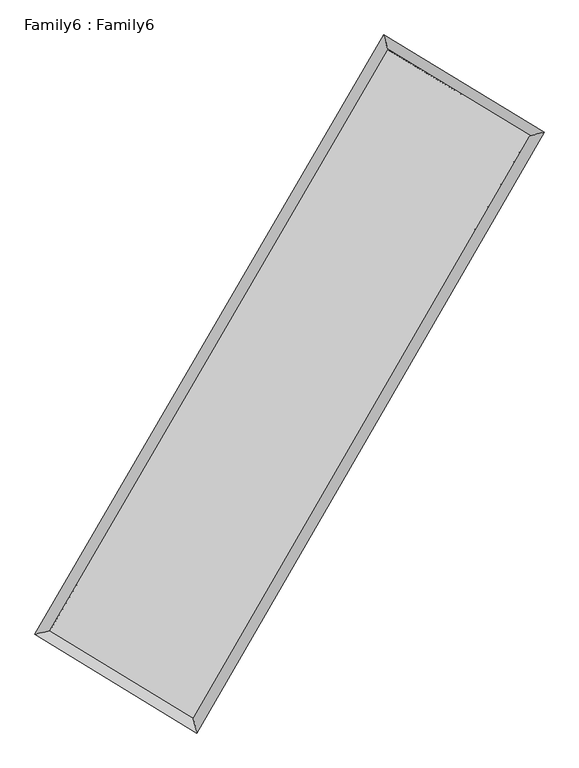
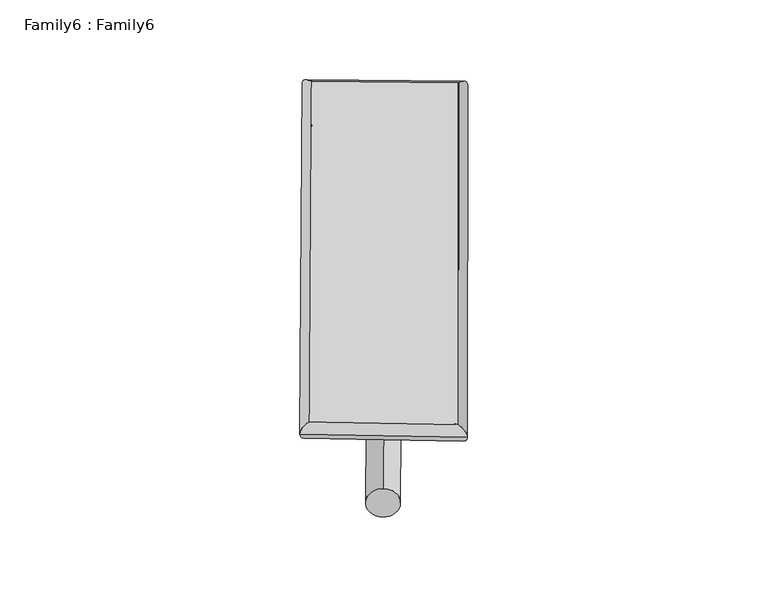
"""IFC4 building model written with IfcOpenShell, lengths in millimetres: plate geometry, Family6 : Family6."""

from ifc_helpers import new_model, si_unit, point, frame, origin, origin_2d, place, context, project, spatial, circle_curve, ellipse_curve, trimmed, segment, composite_curve, outline, extrude, source, transform, mapped, element, save
from ifc_brep_helpers import plane_surface, cylinder_surface, spline_surface, advanced_brep


def family6_family6_36cc46a7(model_context):
    return source(origin(), model_context, "Body", "SolidModel", [
        extrude(outline(composite_curve([segment(trimmed(circle_curve(origin_2d(), 76.2), [point((-75.4341514, -10.7763073))], [point((75.4341514, 10.7763073))], False, "CARTESIAN"), True, "CONTINUOUS"), segment(trimmed(circle_curve(origin_2d(), 76.2), [point((75.4341514, 10.7763073))], [point((-75.4341514, -10.7763073))], False, "CARTESIAN"), True, "CONTINUOUS")], self_intersect=False)), frame((9144.0, 9144.0, 0.0), z_axis=(0.6695239012673339, 0.6897060139236257, 0.27575960543443107), x_axis=(-0.6818251170184612, 0.7179459264539025, -0.1402432047944196)), (0.0, 0.0, 1.0), 5551.2953473),
        extrude(outline(composite_curve([segment(trimmed(circle_curve(origin_2d(), 76.2), [point((-53.8815367, 53.8815368))], [point((53.8815367, -53.8815368))], False, "CARTESIAN"), True, "CONTINUOUS"), segment(trimmed(circle_curve(origin_2d(), 76.2), [point((53.8815367, -53.8815368))], [point((-53.8815367, 53.8815368))], False, "CARTESIAN"), True, "CONTINUOUS")], self_intersect=False)), frame((9144.0, 9144.0, 0.0), z_axis=(-0.6717070156431373, -0.6876435241630366, 0.27560128594117533), x_axis=(0.6433193338153723, -0.35695867147852994, 0.677289259914572)), (0.0, 0.0, 1.0), 5554.5825007),
        extrude(outline(composite_curve([segment(trimmed(circle_curve(origin_2d(), 76.2), [point((-53.8815367, -53.8815367))], [point((53.8815367, 53.8815367))], False, "CARTESIAN"), True, "CONTINUOUS"), segment(trimmed(circle_curve(origin_2d(), 76.2), [point((53.8815367, 53.8815367))], [point((-53.8815367, -53.8815367))], False, "CARTESIAN"), True, "CONTINUOUS")], self_intersect=False)), frame((9144.0, 9144.0, 0.0), z_axis=(0.2689010546837212, 0.9243985190297741, 0.27051728374642353), x_axis=(-0.8405869874453986, 0.3623491468506554, -0.4026370727020447)), (0.0, 0.0, 1.0), 5597.4585482),
        extrude(outline(composite_curve([segment(trimmed(circle_curve(origin_2d(), 76.2), [point((-75.4341514, 10.7763074))], [point((75.4341514, -10.7763074))], False, "CARTESIAN"), True, "CONTINUOUS"), segment(trimmed(circle_curve(origin_2d(), 76.2), [point((75.4341514, -10.7763074))], [point((-75.4341514, 10.7763074))], False, "CARTESIAN"), True, "CONTINUOUS")], self_intersect=False)), frame((9144.0, 9144.0, 0.0), z_axis=(-0.26622304787580753, -0.9252366779272323, 0.2703005338468547), x_axis=(0.8813483345550648, -0.12010133036903804, 0.4569472438045785)), (0.0, 0.0, 1.0), 5602.7185647),
        advanced_brep(
        [(5206.0919936, 5272.0089847, 1529.5544264), (5206.0831226, 5271.9969638, 1532.4533306), (5619.803937, 5376.8456432, 1532.1457337), (10702.6852771, 14107.3317201, 1515.9922321), (10595.6397372, 14529.2330645, 1512.4263326), (5619.812808, 5376.8576641, 1529.2468295), (12654.2230873, 12920.0107906, 1530.6526037), (13067.2267488, 13025.5127816, 1530.9934256), (7598.5142051, 4171.4528437, 1514.7280353), (7706.3401695, 3748.8657319, 1514.1076027)],
        [
            (0, 1, ellipse_curve(frame((5412.9479653, 5324.4273139, 1530.8500801), z_axis=(-0.245658783501898, 0.9693508566001295, 0.0032678581613413906), x_axis=(-0.9693362263449717, -0.24567401424319357, 0.005617741621412493)), 213.4121185, 152.4)),
            (1, 2, ellipse_curve(frame((5412.9479653, 5324.4273139, 1530.8500801), z_axis=(-0.245658783501898, 0.9693508566001295, 0.0032678581613413906), x_axis=(-0.9693362263449717, -0.24567401424319357, 0.005617741621412493)), 213.4121185, 152.4)),
            (2, 3),
            (3, 4, ellipse_curve(frame((10649.1625072, 14318.2823923, 1514.2092823), z_axis=(-0.9692750817472386, -0.24595523394832905, -0.0034407553394950295), x_axis=(0.24593408828720356, -0.9692702932324095, 0.005614523621876618)), 217.6427786, 152.4)),
            (4, 0),
            (2, 5, ellipse_curve(frame((5412.9479653, 5324.4273139, 1530.8500801), z_axis=(-0.245658783501898, 0.9693508566001295, 0.0032678581613413906), x_axis=(-0.9693362263449717, -0.24567401424319357, 0.005617741621412493)), 213.4121185, 152.4)),
            (5, 0, ellipse_curve(frame((5412.9479653, 5324.4273139, 1530.8500801), z_axis=(-0.245658783501898, 0.9693508566001295, 0.0032678581613413906), x_axis=(-0.9693362263449717, -0.24567401424319357, 0.005617741621412493)), 213.4121185, 152.4)),
            (4, 3, ellipse_curve(frame((10649.1625072, 14318.2823923, 1514.2092823), z_axis=(-0.9692750817472386, -0.24595523394832905, -0.0034407553394950295), x_axis=(0.24593408828720356, -0.9692702932324095, 0.005614523621876618)), 217.6427786, 152.4)),
            (3, 6),
            (6, 7, ellipse_curve(frame((12860.724918, 12972.7617861, 1530.8230146), z_axis=(-0.24749867637680775, 0.9688823164608142, -0.0033855636538907483), x_axis=(-0.9688672434759712, -0.24751480365512432, -0.005717210057250694)), 213.1355268, 152.4)),
            (7, 4),
            (7, 6, ellipse_curve(frame((12860.724918, 12972.7617861, 1530.8230146), z_axis=(-0.24749867637680775, 0.9688823164608142, -0.0033855636538907483), x_axis=(-0.9688672434759712, -0.24751480365512432, -0.005717210057250694)), 213.1355268, 152.4)),
            (6, 8),
            (8, 9, ellipse_curve(frame((7652.4271873, 3960.1592878, 1514.417819), z_axis=(0.9689487759713116, 0.24723877093500077, -0.003355546192149799), x_axis=(-0.24721862272816628, 0.9689442182905903, 0.005482190951194921)), 218.0653422, 152.4)),
            (9, 7),
            (9, 8, ellipse_curve(frame((7652.4271873, 3960.1592878, 1514.417819), z_axis=(0.9689487759713116, 0.24723877093500077, -0.003355546192149799), x_axis=(-0.24721862272816628, 0.9689442182905903, 0.005482190951194921)), 218.0653422, 152.4)),
            (8, 5),
            (1, 9),
        ],
        [
            cylinder_surface(frame((5412.9479653, 5324.4273139, 1530.8500801), z_axis=(-0.5031388681054499, -0.8642040977953779, 0.0015989856922419372), x_axis=(-0.864169494055096, 0.5031000919202516, -0.010068915254086899)), 152.4),
            cylinder_surface(frame((10649.1625072, 14318.2823923, 1514.2092823), z_axis=(-0.8542920873804053, 0.5197536373302327, -0.006417625824478167), x_axis=(0.5197857012077602, 0.8542811242555554, -0.005156118755554476)), 152.4),
            cylinder_surface(frame((12860.724918, 12972.7617861, 1530.8230146), z_axis=(0.5003501721075078, 0.8658217030408274, 0.0015760125218193548), x_axis=(0.8658230342588451, -0.5003501721075078, -0.00042263316760156235)), 152.4),
            cylinder_surface(frame((7652.4271873, 3960.1592878, 1514.417819), z_axis=(0.8539942822816718, -0.5202446543571632, -0.0062662144081153184), x_axis=(-0.5202264583022485, -0.8540171372702072, 0.00437736577169453)), 152.4),
        ],
        [
            (0, [[1, 2, 3, 4, 5]]),
            (0, [[6, 7, -5, 8, -3]]),
            (1, [[-4, 9, 10, 11]]),
            (1, [[-8, -11, 12, -9]]),
            (2, [[-10, 13, 14, 15]]),
            (2, [[-12, -15, 16, -13]]),
            (3, [[-14, 17, -6, -2, 18]]),
            (3, [[-16, -18, -1, -7, -17]]),
        ],
    ),
        extrude(outline(composite_curve([segment(trimmed(circle_curve(origin_2d(), 304.8), [point((0.0, -304.8))], [point((0.0, 304.8))], False, "CARTESIAN"), True, "CONTINUOUS"), segment(trimmed(circle_curve(origin_2d(), 304.8), [point((0.0, 304.8))], [point((0.0, -304.8))], False, "CARTESIAN"), True, "CONTINUOUS")], self_intersect=False)), frame((6514.7167432, 4631.1085852, -0.0014015), z_axis=(0.5034085770148402, 0.8640484966642913, 2.683264733516647e-07), x_axis=(-0.8640484966643299, 0.5034085770148402, 7.246477136570929e-08)), (0.0, 0.0, 1.0), 10445.9215709),
        advanced_brep(
        [(5412.9479653, 5324.4273139, 1530.8500801), (7652.4271873, 3960.1592878, 1514.417819), (7652.4288691, 3960.1602862, 1666.817819), (5412.9496471, 5324.4283124, 1683.2500801), (12860.724918, 12972.7617861, 1530.8230146), (12860.7265999, 12972.7627845, 1683.2230146), (10649.1625072, 14318.2823923, 1514.2092823), (10649.164189, 14318.2833907, 1666.6092823)],
        [
            (0, 1),
            (1, 2),
            (2, 3),
            (3, 0),
            (1, 4),
            (4, 5),
            (5, 2),
            (4, 6),
            (6, 7),
            (7, 5),
            (6, 0),
            (3, 7),
        ],
        [
            plane_surface(frame((6532.6875763, 4642.2933009, 1522.6339496), z_axis=(-0.5202548077770485, -0.8540110859095198, 1.1336195858414368e-05), x_axis=(0.8539942822816718, -0.5202446543571628, -0.006266214408115319))),
            plane_surface(frame((10256.5760527, 8466.460537, 1522.6204168), z_axis=(0.8658227832461841, -0.5003507849223696, -6.2769354181827375e-06), x_axis=(0.5003501721075077, 0.8658217030408273, 0.0015760125218193522))),
            plane_surface(frame((11754.9437126, 13645.5220892, 1522.5161485), z_axis=(0.5197644030282762, 0.8543096424694203, -1.133273987569865e-05), x_axis=(-0.8542920873804051, 0.519753637330233, -0.006417625824478168))),
            plane_surface(frame((8031.0552362, 9821.3548531, 1522.5296812), z_axis=(-0.8642051975390239, 0.5031395199222469, 6.240814585647329e-06), x_axis=(-0.5031388681054503, -0.8642040977953775, 0.0015989856922419344))),
            spline_surface(1, 1, [[(7652.4288691, 3960.1602862, 1666.817819), (5412.9496471, 5324.4283124, 1683.2500801)], [(12860.7265999, 12972.7627845, 1683.2230146), (10649.164189, 14318.2833907, 1666.6092823)]], [2, 2], [2, 2], [0.0, 1.0], [0.0, 1.0]),
            spline_surface(1, 1, [[(10649.1625072, 14318.2823923, 1514.2092823), (5412.9479653, 5324.4273139, 1530.8500801)], [(12860.724918, 12972.7617861, 1530.8230146), (7652.4271873, 3960.1592878, 1514.417819)]], [2, 2], [2, 2], [0.0, 1.0], [0.0, 1.0]),
        ],
        [
            (0, [[1, 2, 3, 4]]),
            (1, [[5, 6, 7, -2]]),
            (2, [[8, 9, 10, -6]]),
            (3, [[11, -4, 12, -9]]),
            (4, [[-3, -7, -10, -12]]),
            (5, [[-11, -8, -5, -1]]),
        ],
    ),
    ])


if __name__ == "__main__":
    model = new_model("IFC4")
    model_context = context("Model", 3, world=origin())
    ifc_project = project(units=[si_unit("LENGTHUNIT", "METRE", prefix="MILLI")], contexts=[model_context])
    site = spatial("IfcSite", under=ifc_project)
    building = spatial("IfcBuilding", under=site)
    placement = place(None, origin())
    family6_family6_shape = family6_family6_36cc46a7(model_context)
    element("IfcPlate", 1, ObjectType="Family6 : Family6", at=placement, inside=building, context=model_context, shape_type="MappedRepresentation", body=[
        mapped(family6_family6_shape, transform((0.0, 0.0, 0.0), x_axis=(1.0, 0.0, 0.0), y_axis=(0.0, 1.0, 0.0), z_axis=(0.0, 0.0, 1.0))),
    ])
    save(model, "model.ifc")
